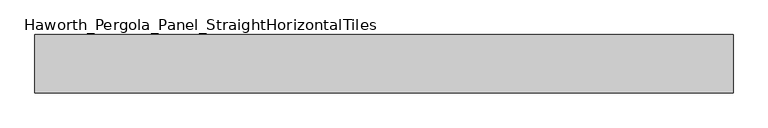
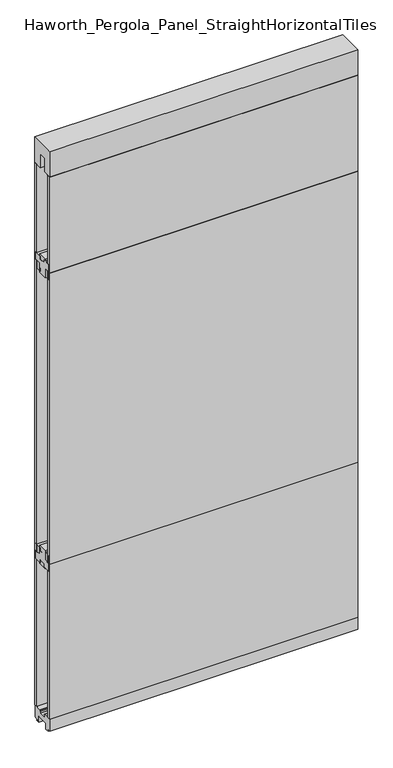
"""IFC4 building model written with IfcOpenShell, lengths in millimetres: furniture geometry, Haworth_Pergola_Panel_StraightHorizontalTiles."""

import ifcopenshell
import ifcopenshell.guid

model = None  # the IFC model being written
_history = None  # IfcOwnerHistory: only IFC2X3 demands one
_inside = {}  # id of a spatial element -> (the spatial element, [elements in it])
_under = {}  # id of a project, library or spatial element -> (it, [spatial elements below it])
_declared = {}  # id of a project -> (the project, [libraries it declares])
_typed = {}  # id of a type object -> (the type object, [elements of that type])
_made_of = {}  # id of a material, layer set ... -> (it, [elements and type objects made of it])


def new_model(schema):
    """Start an empty IFC model of exactly this schema.

    Asked for "IFC4X3", IfcOpenShell would pick the latest addendum, in which some entities
    have other attributes; the version numbers below select the first issue.
    IFC2X3 requires an IfcOwnerHistory on every rooted entity: one is made here for all.
    """
    global model, _history
    if schema == "IFC4X3":
        model = ifcopenshell.file(schema_version=(4, 3, 0, 0))
    else:
        model = ifcopenshell.file(schema=schema)
    _inside.clear()
    _under.clear()
    _declared.clear()
    _typed.clear()
    _made_of.clear()
    _history = None
    if model.schema == "IFC2X3":
        org = make("IfcOrganization", Name="unknown")
        user = make(
            "IfcPersonAndOrganization",
            ThePerson=make("IfcPerson", FamilyName="unknown"),
            TheOrganization=org,
        )
        app = make(
            "IfcApplication",
            ApplicationDeveloper=org,
            Version="unknown",
            ApplicationFullName="unknown",
            ApplicationIdentifier="unknown",
        )
        _history = make(
            "IfcOwnerHistory",
            OwningUser=user,
            OwningApplication=app,
            ChangeAction="ADDED",
            CreationDate=0,
        )
    return model


def make(cls, **values):
    """One entity of the class cls with the attributes given. An attribute that is None is left unset."""
    return model.create_entity(
        cls, **{name: value for name, value in values.items() if value is not None}
    )


def rooted(cls, **values):
    """An entity with a GlobalId (a new one), such as an element, a storey or a relation."""
    return make(cls, GlobalId=ifcopenshell.guid.new(), OwnerHistory=_history, **values)


def si_unit(unit_type, name, prefix=None):
    """IfcSIUnit, for example si_unit("LENGTHUNIT", "METRE", prefix="MILLI")."""
    return make("IfcSIUnit", UnitType=unit_type, Prefix=prefix, Name=name)


def assignment(units):
    """IfcUnitAssignment: the units of a project."""
    return None if units is None else make("IfcUnitAssignment", Units=units)


def point(xyz):
    """IfcCartesianPoint."""
    return None if xyz is None else make("IfcCartesianPoint", Coordinates=xyz)


def direction(xyz):
    """IfcDirection."""
    return None if xyz is None else make("IfcDirection", DirectionRatios=xyz)


def frame(location, z_axis=None, x_axis=None):
    """IfcAxis2Placement3D, a coordinate frame: its origin and axes. An axis left out is left unset."""
    return make(
        "IfcAxis2Placement3D",
        Location=point(location),
        Axis=direction(z_axis),
        RefDirection=direction(x_axis),
    )


def origin():
    """The frame at (0, 0, 0) with its axes left unset."""
    return frame((0.0, 0.0, 0.0))


def place(relative_to, where):
    """IfcLocalPlacement: puts the frame where relative to a parent placement (None: the world)."""
    return make(
        "IfcLocalPlacement", PlacementRelTo=relative_to, RelativePlacement=where
    )


def context(
    kind, dimensions, precision=None, world=None, true_north=None, identifier=None
):
    """IfcGeometricRepresentationContext, for example the 3D "Model" context."""
    return make(
        "IfcGeometricRepresentationContext",
        ContextIdentifier=identifier,
        ContextType=kind,
        CoordinateSpaceDimension=dimensions,
        Precision=precision,
        WorldCoordinateSystem=world,
        TrueNorth=true_north,
    )


def project(units=None, contexts=None):
    """IfcProject with its units and contexts."""
    return rooted(
        "IfcProject",
        Name="project",
        RepresentationContexts=contexts,
        UnitsInContext=assignment(units),
    )


def spatial(cls, under=None, at=None, **own):
    """A site, building, storey or space (cls), placed at a placement, below another one or the project."""
    s = rooted(cls, ObjectPlacement=at, **own)
    if under is not None:
        _under.setdefault(under.id(), (under, []))[1].append(s)
    return s


def polyline(points):
    """IfcPolyline through the points."""
    return make("IfcPolyline", Points=[point(p) for p in points])


def outline(outer, holes=None, kind="AREA"):
    """IfcArbitraryClosedProfileDef: a profile drawn as a closed curve; with holes, ...WithVoids."""
    if holes is None:
        return make("IfcArbitraryClosedProfileDef", ProfileType=kind, OuterCurve=outer)
    return make(
        "IfcArbitraryProfileDefWithVoids",
        ProfileType=kind,
        OuterCurve=outer,
        InnerCurves=holes,
    )


def extrude(swept, where, along, depth):
    """IfcExtrudedAreaSolid: the profile swept, set in the frame where, extruded along a direction by depth."""
    return make(
        "IfcExtrudedAreaSolid",
        SweptArea=swept,
        Position=where,
        ExtrudedDirection=direction(along),
        Depth=depth,
    )


def shape(context_of_items, identifier, shape_type, items):
    """IfcShapeRepresentation: the items that make up one representation, for example the "Body"."""
    return make(
        "IfcShapeRepresentation",
        ContextOfItems=context_of_items,
        RepresentationIdentifier=identifier,
        RepresentationType=shape_type,
        Items=items,
    )


def source(mapping_origin, context_of_items, identifier, shape_type, items):
    """IfcRepresentationMap: a shape defined once, which mapped items show again and again."""
    return make(
        "IfcRepresentationMap",
        MappingOrigin=mapping_origin,
        MappedRepresentation=shape(context_of_items, identifier, shape_type, items),
    )


def transform(
    local_origin,
    x_axis=None,
    y_axis=None,
    z_axis=None,
    scale=None,
    scale2=None,
    scale3=None,
    uniform=True,
):
    """IfcCartesianTransformationOperator3D, or its non-uniform kind. x_axis, y_axis, z_axis: its Axis1, 2, 3."""
    if uniform:
        return make(
            "IfcCartesianTransformationOperator3D",
            Axis1=direction(x_axis),
            Axis2=direction(y_axis),
            LocalOrigin=point(local_origin),
            Scale=scale,
            Axis3=direction(z_axis),
        )
    return make(
        "IfcCartesianTransformationOperator3DnonUniform",
        Axis1=direction(x_axis),
        Axis2=direction(y_axis),
        LocalOrigin=point(local_origin),
        Scale=scale,
        Axis3=direction(z_axis),
        Scale2=scale2,
        Scale3=scale3,
    )


def mapped(mapping_source, mapping_target):
    """IfcMappedItem: shows the shape of a source again, moved by a transform."""
    return make(
        "IfcMappedItem", MappingSource=mapping_source, MappingTarget=mapping_target
    )


def made_of(thing, what):
    """Note that an element or type object is made of a material, layer set ...; save() writes the relation."""
    if what is not None:
        _made_of.setdefault(what.id(), (what, []))[1].append(thing)
    return thing


def element(
    cls,
    number,
    at=None,
    inside=None,
    cuts=None,
    type_object=None,
    material=None,
    context=None,
    identifier="Body",
    shape_type=None,
    held_by="IfcProductDefinitionShape",
    body=None,
    shapes=None,
    **own,
):
    """One element of the class cls, such as IfcWall. Its Tag is "e" and its number.

    at: its placement. inside: the storey or other place that contains it. cuts: it is an
    opening in that element (IfcRelVoidsElement). A single representation is given by context,
    identifier, shape_type and body (its items); several are given by shapes. held_by: the class
    of the entity that holds the representations. save() writes the other relations.
    """
    e = rooted(cls, Tag="e%d" % number, ObjectPlacement=at, **own)
    if body is not None:
        shapes = [shape(context, identifier, shape_type, body)]
    if shapes is not None:
        e.Representation = make(held_by, Representations=shapes)
    if inside is not None:
        _inside.setdefault(inside.id(), (inside, []))[1].append(e)
    if cuts is not None:
        rooted(
            "IfcRelVoidsElement", RelatingBuildingElement=cuts, RelatedOpeningElement=e
        )
    if type_object is not None:
        _typed.setdefault(type_object.id(), (type_object, []))[1].append(e)
    return made_of(e, material)


def aggregate(whole, parts):
    """IfcRelAggregates: a whole, such as a stair, and the parts it consists of."""
    return rooted("IfcRelAggregates", RelatingObject=whole, RelatedObjects=parts)


def save(model, path):
    """Write the relations noted so far, then the file.

    IfcRelAggregates (storeys below a building ...), IfcRelContainedInSpatialStructure (elements
    in a storey), IfcRelDefinesByType, IfcRelAssociatesMaterial and IfcRelDeclares: one each for
    every whole, place, type object, material and project.
    """
    for whole, parts in _under.values():
        aggregate(whole, parts)
    for where, things in _inside.values():
        rooted(
            "IfcRelContainedInSpatialStructure",
            RelatedElements=things,
            RelatingStructure=where,
        )
    for kind, things in _typed.values():
        rooted("IfcRelDefinesByType", RelatedObjects=things, RelatingType=kind)
    for what, things in _made_of.values():
        rooted("IfcRelAssociatesMaterial", RelatedObjects=things, RelatingMaterial=what)
    for by, libraries in _declared.values():
        rooted("IfcRelDeclares", RelatingContext=by, RelatedDefinitions=libraries)
    model.write(path)


def haworth_pergola_panel_straighthorizontaltiles_f866a730(model_context):
    return source(origin(), model_context, "Body", "SweptSolid", [
        extrude(outline(polyline([(12.7, 679.45), (12.7, 692.15), (-12.7, 692.15), (-12.7, 679.45), (-44.45, 679.45), (-44.45, 711.2), (-19.05, 711.2), (-19.05, 749.3), (19.05, 749.3), (19.05, 711.2), (44.45, 711.2), (44.45, 679.45), (12.7, 679.45)])), frame((-571.5, 0.0, 0.0), z_axis=(1.0, 0.0, 0.0), x_axis=(0.0, 1.0, 0.0)), (0.0, 0.0, 1.0), 1219.2),
        extrude(outline(polyline([(12.7, 1962.15), (44.45, 1962.15), (44.45, 1930.4), (19.05, 1930.4), (19.05, 1892.3), (-19.05, 1892.3), (-19.05, 1930.4), (-44.45, 1930.4), (-44.45, 1962.15), (-12.7, 1962.15), (-12.7, 1949.45), (12.7, 1949.45), (12.7, 1962.15)])), frame((-571.5, 0.0, 0.0), z_axis=(1.0, 0.0, 0.0), x_axis=(0.0, 1.0, 0.0)), (0.0, 0.0, 1.0), 1219.2),
        extrude(outline(polyline([(-571.5, 50.8), (647.7, 50.8), (647.7, 38.1), (-571.5, 38.1), (-571.5, 50.8)])), frame((0.0, 0.0, 711.2), z_axis=(0.0, 0.0, 1.0), x_axis=(1.0, 0.0, 0.0)), (0.0, 0.0, 1.0), 1219.2),
        extrude(outline(polyline([(-571.5, -38.1), (647.7, -38.1), (647.7, -50.8), (-571.5, -50.8), (-571.5, -38.1)])), frame((0.0, 0.0, 711.2), z_axis=(0.0, 0.0, 1.0), x_axis=(1.0, 0.0, 0.0)), (0.0, 0.0, 1.0), 1219.2),
        extrude(outline(polyline([(12.7, 1898.65), (12.7, 1911.35), (-12.7, 1911.35), (-12.7, 1898.65), (-44.45, 1898.65), (-44.45, 1930.4), (-19.05, 1930.4), (-19.05, 1968.5), (19.05, 1968.5), (19.05, 1930.4), (44.45, 1930.4), (44.45, 1898.65), (12.7, 1898.65)])), frame((-571.5, 0.0, 0.0), z_axis=(1.0, 0.0, 0.0), x_axis=(0.0, 1.0, 0.0)), (0.0, 0.0, 1.0), 1219.2),
        extrude(outline(polyline([(-571.5, 50.8), (647.7, 50.8), (647.7, 38.1), (-571.5, 38.1), (-571.5, 50.8)])), frame((0.0, 0.0, 1930.4), z_axis=(0.0, 0.0, 1.0), x_axis=(1.0, 0.0, 0.0)), (0.0, 0.0, 1.0), 401.4390625),
        extrude(outline(polyline([(-571.5, -38.1), (647.7, -38.1), (647.7, -50.8), (-571.5, -50.8), (-571.5, -38.1)])), frame((0.0, 0.0, 1930.4), z_axis=(0.0, 0.0, 1.0), x_axis=(1.0, 0.0, 0.0)), (0.0, 0.0, 1.0), 401.4390625),
        extrude(outline(polyline([(12.7, 742.95), (44.45, 742.95), (44.45, 711.2), (19.05, 711.2), (19.05, 673.1), (-19.05, 673.1), (-19.05, 711.2), (-44.45, 711.2), (-44.45, 742.95), (-12.7, 742.95), (-12.7, 730.25), (12.7, 730.25), (12.7, 742.95)])), frame((-571.5, 0.0, 0.0), z_axis=(1.0, 0.0, 0.0), x_axis=(0.0, 1.0, 0.0)), (0.0, 0.0, 1.0), 1219.2),
        extrude(outline(polyline([(-571.5, 50.8), (647.7, 50.8), (647.7, 38.1), (-571.5, 38.1), (-571.5, 50.8)])), frame((0.0, 0.0, 63.5), z_axis=(0.0, 0.0, 1.0), x_axis=(1.0, 0.0, 0.0)), (0.0, 0.0, 1.0), 647.7),
        extrude(outline(polyline([(-571.5, -38.1), (647.7, -38.1), (647.7, -50.8), (-571.5, -50.8), (-571.5, -38.1)])), frame((0.0, 0.0, 63.5), z_axis=(0.0, 0.0, 1.0), x_axis=(1.0, 0.0, 0.0)), (0.0, 0.0, 1.0), 647.7),
        extrude(outline(polyline([(-50.8, 2438.4), (50.8, 2438.4), (50.8, 2331.8390625), (15.2182948, 2331.8390625), (15.2182948, 2388.7001663), (-15.2182948, 2388.7001663), (-15.2182948, 2331.8390625), (-50.8, 2331.8390625), (-50.8, 2438.4)])), frame((-571.5, 0.0, 0.0), z_axis=(1.0, 0.0, 0.0), x_axis=(0.0, 1.0, 0.0)), (0.0, 0.0, 1.0), 1219.2),
        extrude(outline(polyline([(-16.2000002, 63.5), (-16.5085717, 61.7499999), (-13.3999996, 61.7499999), (-13.3999996, 58.8973461), (-15.4000002, 59.2499999), (-15.4000002, 48.3500004), (15.4000003, 48.3500004), (15.4000003, 59.2499999), (13.3999997, 58.8973461), (13.3999997, 61.7499999), (16.5085718, 61.7499999), (16.2000003, 63.5), (50.0000004, 63.5), (50.0000004, 12.6999985), (40.9499987, 12.6999985), (38.9499981, 10.6999979), (28.9499999, 10.6999979), (28.9499999, 7.6999994), (38.9499981, 7.6999994), (38.9499981, 5.6999988), (23.7499993, 5.6999988), (23.7499993, 31.4500009), (-23.7499992, 31.4500009), (-23.7499992, 5.6999988), (-38.949998, 5.6999988), (-38.949998, 7.6999994), (-28.9499998, 7.6999994), (-28.9499998, 10.6999979), (-38.949998, 10.6999979), (-40.9499986, 12.6999985), (-50.0000003, 12.6999985), (-50.0000003, 63.5), (-16.2000002, 63.5)])), frame((-571.5, 0.0, 0.0), z_axis=(1.0, 0.0, 0.0), x_axis=(0.0, 1.0, 0.0)), (0.0, 0.0, 1.0), 1219.2),
    ])


if __name__ == "__main__":
    model = new_model("IFC4")
    model_context = context("Model", 3, world=origin())
    ifc_project = project(units=[si_unit("LENGTHUNIT", "METRE", prefix="MILLI")], contexts=[model_context])
    site = spatial("IfcSite", under=ifc_project)
    building = spatial("IfcBuilding", under=site)
    placement = place(None, origin())
    haworth_pergola_panel_straighthorizontaltiles_shape = haworth_pergola_panel_straighthorizontaltiles_f866a730(model_context)
    element("IfcFurniture", 1, ObjectType="Haworth_Pergola_Panel_StraightHorizontalTiles", at=placement, inside=building, context=model_context, shape_type="MappedRepresentation", body=[
        mapped(haworth_pergola_panel_straighthorizontaltiles_shape, transform((0.0, 0.0, 0.0), x_axis=(1.0, 0.0, 0.0), y_axis=(0.0, 1.0, 0.0), z_axis=(0.0, 0.0, 1.0))),
    ])
    save(model, "model.ifc")
